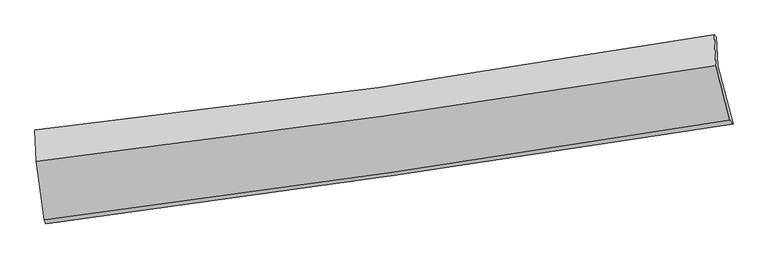
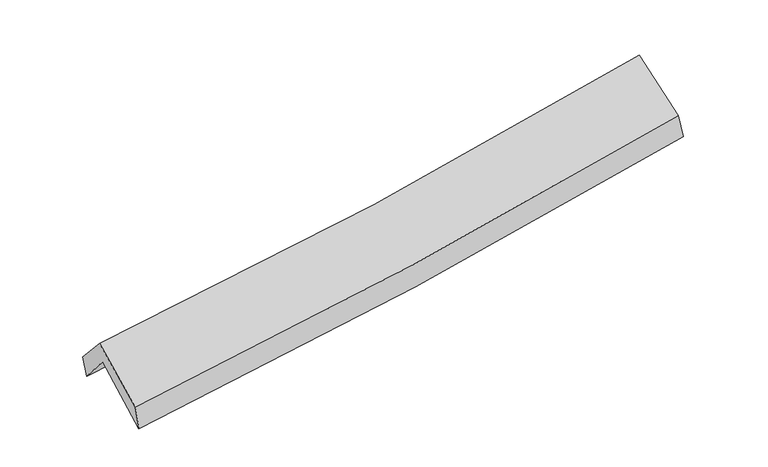
"""IFC4 building model written with IfcOpenShell, lengths in millimetres: proxy geometry."""

from ifc_helpers import new_model, si_unit, frame, origin, place, context, project, spatial, source, transform, mapped, element, save
from ifc_brep_helpers import plane_surface, spline_curve, spline_surface, advanced_brep


def generic_models_188ff78d(model_context):
    return source(origin(), model_context, "Body", "AdvancedBrep", [
        advanced_brep(
        [(-2936.1426688, -2519.1820512, 1454.2477242), (-3005.8762684, -2008.0872341, 1883.0146972), (2922.8997091, -1136.2971537, 2394.9724414), (3056.4715805, -1646.4066429, 1944.2926252), (-3017.3083407, -1748.8195751, 1572.105591), (2911.7960149, -884.4767745, 2092.993979), (-3030.5609766, -1699.6842217, 1757.856131), (2891.930829, -867.8020103, 2255.9620911), (-3017.2629951, -1974.8155979, 2062.0455303), (2906.3741793, -1138.809089, 2557.098975), (-2949.1475223, -2482.4705663, 1661.5185356), (3028.0872609, -1610.6634475, 2157.8320314)],
        [
            (0, 1),
            (1, 2, spline_curve(3, [(-3005.8762684, -2008.0872341, 1883.0146972), (-2001.648192353, -1878.947074911, 1920.829094533), (-1000.721553925, -1740.940060163, 1983.045967575), (975.411789402, -1450.006799322, 2154.624816127), (1950.743810219, -1297.417120607, 2263.060524519), (2922.8997091, -1136.2971537, 2394.9724414)], [4, 2, 4], [0.0, 10.015184884746207, 19.83845313842623])),
            (2, 3),
            (3, 0, spline_curve(3, [(3056.4715805, -1646.4066429, 1944.2926252), (2073.155878151, -1802.138448938, 1827.444972768), (1086.972550067, -1952.088514044, 1728.40517262), (-910.452389285, -2243.241772089, 1564.354253254), (-1921.807144313, -2384.216842819, 1500.045752871), (-2936.1426688, -2519.1820512, 1454.2477242)], [4, 2, 4], [0.0, 9.823268253680025, 19.83845313842623])),
            (1, 4),
            (4, 5, spline_curve(3, [(-3017.3083407, -1748.8195751, 1572.105591), (-2013.041590138, -1620.556512763, 1610.971786604), (-1012.067904985, -1483.616475908, 1674.468160734), (964.175215877, -1195.172849129, 1849.03253369), (1939.569648917, -1043.998619022, 1959.165622379), (2911.7960149, -884.4767745, 2092.993979)], [4, 2, 4], [0.0, 9.965413682140444, 19.7398644771184])),
            (5, 2),
            (4, 6),
            (6, 7, spline_curve(3, [(-3030.5609766, -1699.6842217, 1757.856131), (-2028.122231024, -1592.433661043, 1818.469326094), (-1028.615464857, -1468.655877625, 1890.798563933), (945.437178169, -1190.734467983, 2057.278600333), (1920.094347763, -1037.21818117, 2150.984682953), (2891.930829, -867.8020103, 2255.9620911)], [4, 2, 4], [0.0, 9.953515176219316, 19.716295471168934])),
            (7, 5),
            (6, 8),
            (8, 9, spline_curve(3, [(-3017.2629951, -1974.8155979, 2062.0455303), (-2015.291829096, -1852.432026191, 2105.762673857), (-1015.919288187, -1720.810562028, 2169.466289974), (958.527798264, -1441.791074355, 2335.242749673), (1933.700982016, -1294.743702382, 2436.556948842), (2906.3741793, -1138.809089, 2557.098975)], [4, 2, 4], [0.0, 9.94355320382085, 19.696562423315342])),
            (9, 7),
            (8, 10),
            (10, 11, spline_curve(3, [(-2949.1475223, -2482.4705663, 1661.5185356), (-1937.330358599, -2353.441367531, 1714.465092634), (-928.529141395, -2215.487848811, 1782.845818398), (1063.767974001, -1924.54672712, 1948.869499634), (2047.378351365, -1771.897872982, 2045.926605562), (3028.0872609, -1610.6634475, 2157.8320314)], [4, 2, 4], [0.0, 9.992670816327793, 19.79385642888827])),
            (11, 9),
            (10, 0),
            (3, 11),
        ],
        [
            spline_surface(3, 3, [[(-2936.1426688, -2519.1820512, 1454.2477242), (-1921.807144309, -2384.216842889, 1500.045752939), (-910.452389243, -2243.241772072, 1564.354253229), (1086.972550026, -1952.08851406, 1728.405172645), (2073.155878071, -1802.138448774, 1827.444972737), (3056.4715805, -1646.4066429, 1944.2926252)], [(-2959.387202009, -2348.81711218, 1597.170048507), (-1948.420826992, -2215.793586945, 1640.306866744), (-940.54211084, -2075.80786811, 1703.918157981), (1049.785629814, -1784.727942458, 1870.47838719), (2032.351855461, -1633.898006065, 1972.650156708), (3011.947623351, -1476.370146502, 2094.519230623)], [(-2982.631735191, -2178.45217312, 1740.092372893), (-1975.034509646, -2047.37033096, 1780.567980629), (-970.631832377, -1908.373964171, 1843.482062701), (1012.598709662, -1617.367370879, 2012.551601703), (1991.547832897, -1465.65756335, 2117.855340611), (2967.423666249, -1306.333650098, 2244.745835977)], [(-3005.8762684, -2008.0872341, 1883.0146972), (-2001.648192329, -1878.947075016, 1920.829094435), (-1000.721553975, -1740.940060209, 1983.045967452), (975.41178945, -1450.006799278, 2154.624816248), (1950.743810286, -1297.41712064, 2263.060524583), (2922.8997091, -1136.2971537, 2394.9724414)]], [4, 4], [4, 2, 4], [0.0, 2.178117976422159], [0.0, 10.015184884746207, 19.83845313842623]),
            spline_surface(3, 3, [[(-3005.8762684, -2008.0872341, 1883.0146972), (-2001.648192329, -1878.947075016, 1920.829094435), (-1000.721553975, -1740.940060209, 1983.045967452), (975.41178945, -1450.006799278, 2154.624816248), (1950.743810286, -1297.41712064, 2263.060524583), (2922.8997091, -1136.2971537, 2394.9724414)], [(-3009.686959182, -1921.664681109, 1779.378328491), (-2005.44599163, -1792.81688757, 1817.54332522), (-1004.503670937, -1655.165532097, 1880.186698504), (971.666264887, -1365.062149197, 2052.760722085), (1947.019089848, -1212.944286756, 2161.762223902), (2919.19847771, -1052.357027299, 2294.312953939)], [(-3013.497649918, -1835.242128091, 1675.741959709), (-2009.243790885, -1706.686700097, 1714.257555933), (-1008.285787901, -1569.391004049, 1777.327429583), (967.920740322, -1280.11749918, 1950.89662795), (1943.29436938, -1128.471452872, 2060.463923206), (2915.49724629, -968.416900901, 2193.653466461)], [(-3017.3083407, -1748.8195751, 1572.105591), (-2013.041590186, -1620.556512651, 1610.971786718), (-1012.067904864, -1483.616475937, 1674.468160635), (964.175215758, -1195.1728491, 1849.032533787), (1939.569648942, -1043.998618988, 1959.165622526), (2911.7960149, -884.4767745, 2092.993979)]], [4, 4], [4, 2, 4], [0.0, 1.312479857584008], [0.0, 9.965413682140444, 19.7398644771184]),
            spline_surface(3, 3, [[(-3017.3083407, -1748.8195751, 1572.105591), (-2013.041590186, -1620.556512651, 1610.971786718), (-1012.067904864, -1483.616475937, 1674.468160635), (964.175215758, -1195.1728491, 1849.032533787), (1939.569648942, -1043.998618988, 1959.165622526), (2911.7960149, -884.4767745, 2092.993979)], [(-3021.725885982, -1732.441123947, 1634.022437671), (-2018.068470415, -1611.18222881, 1680.137633215), (-1017.583758226, -1478.629609827, 1746.578295037), (957.929203299, -1193.693388743, 1918.447889371), (1933.077881832, -1041.738473041, 2023.105309323), (2905.17428627, -878.918519769, 2147.316683027)], [(-3026.143431318, -1716.062672853, 1695.939284329), (-2023.095350699, -1601.807945028, 1749.303479699), (-1023.099611648, -1473.642743703, 1818.688429381), (951.683190779, -1192.213928372, 1987.863244897), (1926.586114713, -1039.478327087, 2087.044996139), (2898.55255763, -873.360265031, 2201.639387073)], [(-3030.5609766, -1699.6842217, 1757.856131), (-2028.122230928, -1592.433661187, 1818.469326195), (-1028.61546501, -1468.655877592, 1890.798563783), (945.437178319, -1190.734468015, 2057.27860048), (1920.094347603, -1037.218181141, 2150.984682936), (2891.930829, -867.8020103, 2255.9620911)]], [4, 4], [4, 2, 4], [0.0, 0.6998625992742655], [0.0, 9.953515176219316, 19.716295471168934]),
            spline_surface(3, 3, [[(-3030.5609766, -1699.6842217, 1757.856131), (-2028.122230928, -1592.433661187, 1818.469326195), (-1028.61546501, -1468.655877592, 1890.798563783), (945.437178319, -1190.734468015, 2057.27860048), (1920.094347603, -1037.218181141, 2150.984682936), (2891.930829, -867.8020103, 2255.9620911)], [(-3026.128316114, -1791.394680448, 1859.25259743), (-2023.845430296, -1679.099782909, 1914.233775415), (-1024.383406062, -1552.707439074, 1983.687805803), (949.800718287, -1274.420003508, 2149.933316916), (1924.629892462, -1123.060021599, 2246.175438196), (2896.745279102, -958.137703221, 2356.341052404)], [(-3021.695655586, -1883.105139152, 1960.64906387), (-2019.56862962, -1765.765904588, 2009.998224646), (-1020.151347104, -1636.75900048, 2076.57704783), (954.164258267, -1358.105538927, 2242.588033359), (1929.165437314, -1208.901861995, 2341.366193444), (2901.559729198, -1048.473396079, 2456.720013696)], [(-3017.2629951, -1974.8155979, 2062.0455303), (-2015.291828987, -1852.432026311, 2105.762673865), (-1015.919288157, -1720.810561962, 2169.46628985), (958.527798235, -1441.79107442, 2335.242749794), (1933.700982173, -1294.743702454, 2436.556948704), (2906.3741793, -1138.809089, 2557.098975)]], [4, 4], [4, 2, 4], [0.0, 1.2317040195837827], [0.0, 9.94355320382085, 19.696562423315342]),
            spline_surface(3, 3, [[(-3017.2629951, -1974.8155979, 2062.0455303), (-2015.291828987, -1852.432026311, 2105.762673865), (-1015.919288157, -1720.810561962, 2169.46628985), (958.527798235, -1441.79107442, 2335.242749794), (1933.700982173, -1294.743702454, 2436.556948704), (2906.3741793, -1138.809089, 2557.098975)], [(-2994.557837488, -2144.0339207, 1928.536532052), (-1989.30467214, -2019.435140065, 1975.330146798), (-986.789239225, -1885.702990892, 2040.592799425), (993.607856807, -1602.709625323, 2206.451666374), (1971.593438522, -1453.795092632, 2306.346834314), (2946.945206494, -1296.093875151, 2424.009993771)], [(-2971.852679912, -2313.2522435, 1795.027533848), (-1963.31751533, -2186.43825382, 1844.897619773), (-957.659190286, -2050.595419847, 1911.719308964), (1028.687915389, -1763.628176251, 2077.660582918), (2009.48589489, -1612.846482857, 2176.136720011), (2987.516233706, -1453.378661349, 2290.921012629)], [(-2949.1475223, -2482.4705663, 1661.5185356), (-1937.330358482, -2353.441367575, 1714.465092706), (-928.529141355, -2215.487848777, 1782.845818538), (1063.767973961, -1924.546727154, 1948.869499497), (2047.37835124, -1771.897873035, 2045.926605621), (3028.0872609, -1610.6634475, 2157.8320314)]], [4, 4], [4, 2, 4], [0.0, 2.0687057734350343], [0.0, 9.992670816327793, 19.79385642888827]),
            spline_surface(3, 3, [[(-2949.1475223, -2482.4705663, 1661.5185356), (-1937.330358482, -2353.441367575, 1714.465092706), (-928.529141355, -2215.487848777, 1782.845818538), (1063.767973961, -1924.546727154, 1948.869499497), (2047.37835124, -1771.897873035, 2045.926605621), (3028.0872609, -1610.6634475, 2157.8320314)], [(-2944.812571125, -2494.707727915, 1592.428265149), (-1932.155953749, -2363.699859328, 1642.991979466), (-922.503557311, -2224.73915655, 1710.015296739), (1071.502832655, -1933.727322797, 1875.381390517), (2055.97086019, -1781.97806494, 1973.099394663), (3037.548700773, -1622.577845958, 2086.652229336)], [(-2940.477619975, -2506.944889585, 1523.337994651), (-1926.981549042, -2373.958351136, 1571.518866178), (-916.477973286, -2233.990464299, 1637.184775029), (1079.237691332, -1942.907918416, 1801.893281625), (2064.563369121, -1792.05825687, 1900.272183696), (3047.010140627, -1634.492244442, 2015.472427264)], [(-2936.1426688, -2519.1820512, 1454.2477242), (-1921.807144309, -2384.216842889, 1500.045752939), (-910.452389243, -2243.241772072, 1564.354253229), (1086.972550026, -1952.08851406, 1728.405172645), (2073.155878071, -1802.138448774, 1827.444972737), (3056.4715805, -1646.4066429, 1944.2926252)]], [4, 4], [4, 2, 4], [0.0, 0.7288367473057995], [0.0, 10.052720102658938, 19.91280430319968]),
            plane_surface(frame((2952.9265956, -1214.075853, 2233.8586905), z_axis=(0.980744008754072, 0.16621151278183477, 0.10254229523356001), x_axis=(0.19320152488694012, -0.7489990426123713, -0.6337772518378301))),
            plane_surface(frame((-2992.716462, -2072.1765411, 1731.7980349), z_axis=(-0.9941806292600482, -0.0978556201124354, -0.04504613209261687), x_axis=(-0.06166412916860797, 0.17407206770896044, 0.982800310550116))),
        ],
        [
            (0, [[1, 2, 3, 4]]),
            (1, [[5, 6, 7, -2]]),
            (2, [[8, 9, 10, -6]]),
            (3, [[11, 12, 13, -9]]),
            (4, [[14, 15, 16, -12]]),
            (5, [[17, -4, 18, -15]]),
            (6, [[-16, -18, -3, -7, -10, -13]]),
            (7, [[-17, -14, -11, -8, -5, -1]]),
        ],
    ),
    ])


if __name__ == "__main__":
    model = new_model("IFC4")
    model_context = context("Model", 3, world=origin())
    ifc_project = project(units=[si_unit("LENGTHUNIT", "METRE", prefix="MILLI")], contexts=[model_context])
    site = spatial("IfcSite", under=ifc_project)
    building = spatial("IfcBuilding", under=site)
    placement = place(None, origin())
    generic_models_shape = generic_models_188ff78d(model_context)
    element("IfcBuildingElementProxy", 1, Name="Generic Models", at=placement, inside=building, context=model_context, shape_type="MappedRepresentation", body=[
        mapped(generic_models_shape, transform((0.0, 0.0, 0.0), x_axis=(1.0, 0.0, 0.0), y_axis=(0.0, 1.0, 0.0), z_axis=(0.0, 0.0, 1.0))),
    ])
    save(model, "model.ifc")
